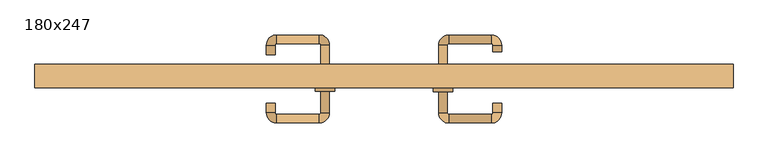
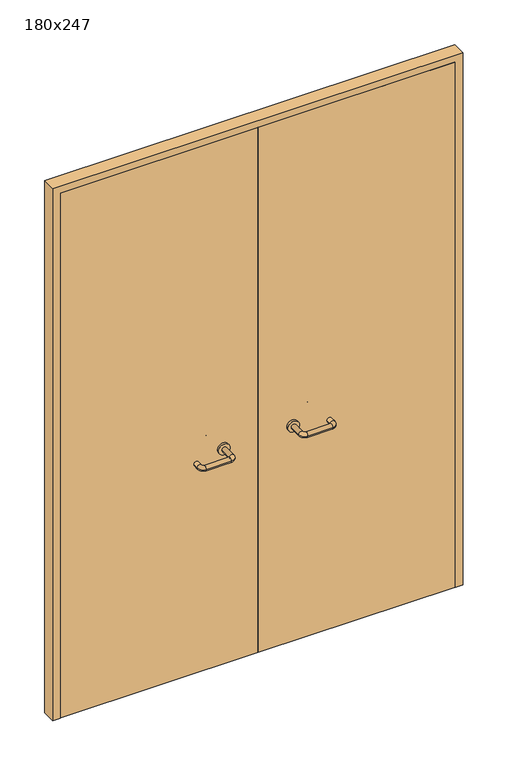
"""IFC4 building model written with IfcOpenShell, lengths in millimetres: door geometry, 180x247."""

from ifc_helpers import new_model, si_unit, point, frame, frame_2d, origin, place, context, project, spatial, polyline, circle_curve, ellipse_curve, trimmed, segment, composite_curve, outline, extrude, source, transform, mapped, element, save
from ifc_brep_helpers import plane_surface, cylinder_surface, revolved_surface, advanced_brep


def door_180x247_504b1baf(model_context):
    return source(origin(), model_context, "Body", "SolidModel", [
        extrude(outline(polyline([(2470.0, -900.0), (0.0, -900.0), (0.0, -868.0), (2438.0, -868.0), (2438.0, 868.0), (0.0, 868.0), (0.0, 900.0), (2470.0, 900.0), (2470.0, -900.0)])), frame((0.0, -190.0, 0.0), z_axis=(0.0, 1.0, 0.0), x_axis=(0.0, 0.0, 1.0)), (0.0, 0.0, 1.0), 60.0),
        advanced_brep(
        [(140.99898, -136.0, 1003.0), (162.99898, -136.0, 1003.0), (162.99898, -80.6474631, 1003.0), (140.99898, -80.6474631, 1003.0), (166.99898, -76.6474631, 1003.0), (166.99898, -54.6474631, 1003.0), (276.99898, -76.6474631, 1003.0), (276.99898, -54.6474631, 1003.0), (280.99898, -80.6474631, 1003.0), (302.99898, -80.6474631, 1003.0), (302.99898, -98.0, 1003.0), (280.99898, -98.0, 1003.0)],
        [
            (0, 1, circle_curve(frame((151.99898, -136.0, 1003.0), z_axis=(0.0, -1.0, 0.0), x_axis=(1.0, 0.0, 0.0)), 11.0)),
            (1, 0, circle_curve(frame((151.99898, -136.0, 1003.0), z_axis=(0.0, -1.0, 0.0), x_axis=(1.0, 0.0, 0.0)), 11.0)),
            (1, 2),
            (2, 3, circle_curve(frame((151.99898, -80.6474631, 1003.0), z_axis=(0.0, -1.0, 0.0), x_axis=(1.0, 0.0, 0.0)), 11.0)),
            (3, 0),
            (3, 2, circle_curve(frame((151.99898, -80.6474631, 1003.0), z_axis=(0.0, -1.0, 0.0), x_axis=(1.0, 0.0, 0.0)), 11.0)),
            (4, 5, circle_curve(frame((166.99898, -65.6474631, 1003.0), z_axis=(-1.0, 0.0, 0.0), x_axis=(0.0, -1.0, 0.0)), 11.0)),
            (5, 3, circle_curve(frame((166.99898, -80.6474631, 1003.0), z_axis=(0.0, 0.0, 1.0), x_axis=(-1.0, 0.0, 0.0)), 26.0)),
            (2, 4, circle_curve(frame((166.99898, -80.6474631, 1003.0), z_axis=(0.0, 0.0, -1.0), x_axis=(-1.0, 0.0, 0.0)), 4.0)),
            (5, 4, circle_curve(frame((166.99898, -65.6474631, 1003.0), z_axis=(-1.0, 0.0, 0.0), x_axis=(0.0, -1.0, 0.0)), 11.0)),
            (4, 6),
            (6, 7, circle_curve(frame((276.99898, -65.6474631, 1003.0), z_axis=(-1.0, 0.0, 0.0), x_axis=(0.0, -1.0, 0.0)), 11.0)),
            (7, 5),
            (7, 6, circle_curve(frame((276.99898, -65.6474631, 1003.0), z_axis=(-1.0, 0.0, 0.0), x_axis=(0.0, -1.0, 0.0)), 11.0)),
            (8, 9, circle_curve(frame((291.99898, -80.6474631, 1003.0), z_axis=(0.0, 1.0, 0.0), x_axis=(-1.0, 0.0, 0.0)), 11.0)),
            (9, 7, circle_curve(frame((276.99898, -80.6474631, 1003.0), z_axis=(0.0, 0.0, 1.0), x_axis=(0.0, 1.0, 0.0)), 26.0)),
            (6, 8, circle_curve(frame((276.99898, -80.6474631, 1003.0), z_axis=(0.0, 0.0, -1.0), x_axis=(0.0, 1.0, 0.0)), 4.0)),
            (9, 8, circle_curve(frame((291.99898, -80.6474631, 1003.0), z_axis=(0.0, 1.0, 0.0), x_axis=(-1.0, 0.0, 0.0)), 11.0)),
            (10, 11, circle_curve(frame((291.99898, -98.0, 1003.0), z_axis=(0.0, -1.0, 0.0), x_axis=(-1.0, 0.0, 0.0)), 11.0)),
            (11, 10, circle_curve(frame((291.99898, -98.0, 1003.0), z_axis=(0.0, -1.0, 0.0), x_axis=(-1.0, 0.0, 0.0)), 11.0)),
            (8, 11),
            (10, 9),
        ],
        [
            plane_surface(frame((140.99898, -136.0, 1003.0), z_axis=(0.0, -1.0, 0.0), x_axis=(0.0, 0.0, -1.0))),
            cylinder_surface(frame((151.99898, -136.0, 1003.0), z_axis=(0.0, -1.0, 0.0), x_axis=(1.0, 0.0, 0.0)), 11.0),
            revolved_surface(trimmed(ellipse_curve(frame((151.99898, -80.6474631, 1003.0), z_axis=(0.0, 1.0, 0.0), x_axis=(1.0, 0.0, 0.0)), 11.0, 11.0), [point((140.99898, -80.6474631, 1003.0))], [point((162.99898, -80.6474631, 1003.0))], True, "CARTESIAN"), (166.99898, -80.6474631, 1003.0), (0.0, 0.0, 1.0)),
            revolved_surface(trimmed(ellipse_curve(frame((151.99898, -80.6474631, 1003.0), z_axis=(0.0, 1.0, 0.0), x_axis=(1.0, 0.0, 0.0)), 11.0, 11.0), [point((162.99898, -80.6474631, 1003.0))], [point((140.99898, -80.6474631, 1003.0))], True, "CARTESIAN"), (166.99898, -80.6474631, 1003.0), (0.0, 0.0, 1.0)),
            cylinder_surface(frame((166.99898, -65.6474631, 1003.0), z_axis=(-1.0, 0.0, 0.0), x_axis=(0.0, -1.0, 0.0)), 11.0),
            revolved_surface(trimmed(ellipse_curve(frame((276.99898, -65.6474631, 1003.0), z_axis=(1.0, 0.0, 0.0), x_axis=(0.0, -1.0, 0.0)), 11.0, 11.0), [point((276.99898, -54.6474631, 1003.0))], [point((276.99898, -76.6474631, 1003.0))], True, "CARTESIAN"), (276.99898, -80.6474631, 1003.0), (0.0, 0.0, 1.0)),
            revolved_surface(trimmed(ellipse_curve(frame((276.99898, -65.6474631, 1003.0), z_axis=(1.0, 0.0, 0.0), x_axis=(0.0, -1.0, 0.0)), 11.0, 11.0), [point((276.99898, -76.6474631, 1003.0))], [point((276.99898, -54.6474631, 1003.0))], True, "CARTESIAN"), (276.99898, -80.6474631, 1003.0), (0.0, 0.0, 1.0)),
            plane_surface(frame((280.99898, -98.0, 1003.0), z_axis=(0.0, -1.0, 0.0), x_axis=(0.0, 0.0, 1.0))),
            cylinder_surface(frame((291.99898, -80.6474631, 1003.0), z_axis=(0.0, 1.0, 0.0), x_axis=(-1.0, 0.0, 0.0)), 11.0),
        ],
        [
            (0, [[1, 2]]),
            (1, [[3, 4, 5, -2]]),
            (1, [[-5, 6, -3, -1]]),
            (2, [[7, 8, -4, 9]]),
            (3, [[10, -9, -6, -8]]),
            (4, [[11, 12, 13, -7]]),
            (4, [[-13, 14, -11, -10]]),
            (5, [[15, 16, -12, 17]]),
            (6, [[18, -17, -14, -16]]),
            (7, [[19, 20]]),
            (8, [[21, -19, 22, -15]]),
            (8, [[-22, -20, -21, -18]]),
        ],
    ),
        extrude(outline(composite_curve([segment(trimmed(circle_curve(frame_2d((1003.0, 151.99898)), 25.0), [point((1003.0, 126.99898))], [point((1003.0, 176.99898))], False, "CARTESIAN"), True, "CONTINUOUS"), segment(trimmed(circle_curve(frame_2d((1003.0, 151.99898)), 25.0), [point((1003.0, 176.99898))], [point((1003.0, 126.99898))], False, "CARTESIAN"), True, "CONTINUOUS")], self_intersect=False)), frame((0.0, -146.0, 0.0), z_axis=(0.0, 1.0, 0.0), x_axis=(0.0, 0.0, 1.0)), (0.0, 0.0, 1.0), 10.0),
        advanced_brep(
        [(162.99898, -200.0, 1003.0), (140.99898, -200.0, 1003.0), (140.99898, -255.0, 1003.0), (162.99898, -255.0, 1003.0), (166.99898, -281.0, 1003.0), (166.99898, -259.0, 1003.0), (276.99898, -281.0, 1003.0), (276.99898, -259.0, 1003.0), (302.99898, -255.0, 1003.0), (280.99898, -255.0, 1003.0), (280.99898, -230.0, 1003.0), (302.99898, -230.0, 1003.0)],
        [
            (0, 1, circle_curve(frame((151.99898, -200.0, 1003.0), z_axis=(0.0, 1.0, 0.0), x_axis=(-1.0, 0.0, 0.0)), 11.0)),
            (1, 0, circle_curve(frame((151.99898, -200.0, 1003.0), z_axis=(0.0, 1.0, 0.0), x_axis=(-1.0, 0.0, 0.0)), 11.0)),
            (1, 2),
            (2, 3, circle_curve(frame((151.99898, -255.0, 1003.0), z_axis=(0.0, 1.0, 0.0), x_axis=(-1.0, 0.0, 0.0)), 11.0)),
            (3, 0),
            (3, 2, circle_curve(frame((151.99898, -255.0, 1003.0), z_axis=(0.0, 1.0, 0.0), x_axis=(-1.0, 0.0, 0.0)), 11.0)),
            (4, 5, circle_curve(frame((166.99898, -270.0, 1003.0), z_axis=(-1.0, 0.0, 0.0), x_axis=(0.0, -1.0, 0.0)), 11.0)),
            (5, 3, circle_curve(frame((166.99898, -255.0, 1003.0), z_axis=(0.0, 0.0, -1.0), x_axis=(-1.0, 0.0, 0.0)), 4.0)),
            (2, 4, circle_curve(frame((166.99898, -255.0, 1003.0), z_axis=(0.0, 0.0, 1.0), x_axis=(-1.0, 0.0, 0.0)), 26.0)),
            (5, 4, circle_curve(frame((166.99898, -270.0, 1003.0), z_axis=(-1.0, 0.0, 0.0), x_axis=(0.0, -1.0, 0.0)), 11.0)),
            (4, 6),
            (6, 7, circle_curve(frame((276.99898, -270.0, 1003.0), z_axis=(-1.0, 0.0, 0.0), x_axis=(0.0, -1.0, 0.0)), 11.0)),
            (7, 5),
            (7, 6, circle_curve(frame((276.99898, -270.0, 1003.0), z_axis=(-1.0, 0.0, 0.0), x_axis=(0.0, -1.0, 0.0)), 11.0)),
            (8, 9, circle_curve(frame((291.99898, -255.0, 1003.0), z_axis=(0.0, -1.0, 0.0), x_axis=(1.0, 0.0, 0.0)), 11.0)),
            (9, 7, circle_curve(frame((276.99898, -255.0, 1003.0), z_axis=(0.0, 0.0, -1.0), x_axis=(0.0, -1.0, 0.0)), 4.0)),
            (6, 8, circle_curve(frame((276.99898, -255.0, 1003.0), z_axis=(0.0, 0.0, 1.0), x_axis=(0.0, -1.0, 0.0)), 26.0)),
            (9, 8, circle_curve(frame((291.99898, -255.0, 1003.0), z_axis=(0.0, -1.0, 0.0), x_axis=(1.0, 0.0, 0.0)), 11.0)),
            (10, 11, circle_curve(frame((291.99898, -230.0, 1003.0), z_axis=(0.0, 1.0, 0.0), x_axis=(1.0, 0.0, 0.0)), 11.0)),
            (11, 10, circle_curve(frame((291.99898, -230.0, 1003.0), z_axis=(0.0, 1.0, 0.0), x_axis=(1.0, 0.0, 0.0)), 11.0)),
            (8, 11),
            (10, 9),
        ],
        [
            plane_surface(frame((140.99898, -200.0, 1003.0), z_axis=(0.0, 1.0, 0.0), x_axis=(0.0, 0.0, 1.0))),
            cylinder_surface(frame((151.99898, -200.0, 1003.0), z_axis=(0.0, 1.0, 0.0), x_axis=(-1.0, 0.0, 0.0)), 11.0),
            revolved_surface(trimmed(ellipse_curve(frame((151.99898, -255.0, 1003.0), z_axis=(0.0, -1.0, 0.0), x_axis=(-1.0, 0.0, 0.0)), 11.0, 11.0), [point((162.99898, -255.0, 1003.0))], [point((140.99898, -255.0, 1003.0))], True, "CARTESIAN"), (166.99898, -255.0, 1003.0), (0.0, 0.0, -1.0)),
            revolved_surface(trimmed(ellipse_curve(frame((151.99898, -255.0, 1003.0), z_axis=(0.0, -1.0, 0.0), x_axis=(-1.0, 0.0, 0.0)), 11.0, 11.0), [point((140.99898, -255.0, 1003.0))], [point((162.99898, -255.0, 1003.0))], True, "CARTESIAN"), (166.99898, -255.0, 1003.0), (0.0, 0.0, -1.0)),
            cylinder_surface(frame((166.99898, -270.0, 1003.0), z_axis=(-1.0, 0.0, 0.0), x_axis=(0.0, -1.0, 0.0)), 11.0),
            revolved_surface(trimmed(ellipse_curve(frame((276.99898, -270.0, 1003.0), z_axis=(1.0, 0.0, 0.0), x_axis=(0.0, -1.0, 0.0)), 11.0, 11.0), [point((276.99898, -259.0, 1003.0))], [point((276.99898, -281.0, 1003.0))], True, "CARTESIAN"), (276.99898, -255.0, 1003.0), (0.0, 0.0, -1.0)),
            revolved_surface(trimmed(ellipse_curve(frame((276.99898, -270.0, 1003.0), z_axis=(1.0, 0.0, 0.0), x_axis=(0.0, -1.0, 0.0)), 11.0, 11.0), [point((276.99898, -281.0, 1003.0))], [point((276.99898, -259.0, 1003.0))], True, "CARTESIAN"), (276.99898, -255.0, 1003.0), (0.0, 0.0, -1.0)),
            plane_surface(frame((280.99898, -230.0, 1003.0), z_axis=(0.0, 1.0, 0.0), x_axis=(0.0, 0.0, -1.0))),
            cylinder_surface(frame((291.99898, -255.0, 1003.0), z_axis=(0.0, -1.0, 0.0), x_axis=(1.0, 0.0, 0.0)), 11.0),
        ],
        [
            (0, [[1, 2]]),
            (1, [[3, 4, 5, -2]]),
            (1, [[-5, 6, -3, -1]]),
            (2, [[7, 8, -4, 9]]),
            (3, [[10, -9, -6, -8]]),
            (4, [[11, 12, 13, -7]]),
            (4, [[-13, 14, -11, -10]]),
            (5, [[15, 16, -12, 17]]),
            (6, [[18, -17, -14, -16]]),
            (7, [[19, 20]]),
            (8, [[21, -19, 22, -15]]),
            (8, [[-22, -20, -21, -18]]),
        ],
    ),
        extrude(outline(composite_curve([segment(trimmed(circle_curve(frame_2d((1003.0, 151.99898)), 25.0), [point((1003.0, 176.99898))], [point((1003.0, 126.99898))], False, "CARTESIAN"), True, "CONTINUOUS"), segment(trimmed(circle_curve(frame_2d((1003.0, 151.99898)), 25.0), [point((1003.0, 126.99898))], [point((1003.0, 176.99898))], False, "CARTESIAN"), True, "CONTINUOUS")], self_intersect=False)), frame((0.0, -200.0, 0.0), z_axis=(0.0, 1.0, 0.0), x_axis=(0.0, 0.0, 1.0)), (0.0, 0.0, 1.0), 10.0),
        advanced_brep(
        [(-162.99898, -135.6886121, 1003.0), (-140.99898, -135.6886121, 1003.0), (-140.99898, -80.2779553, 1003.0), (-162.99898, -80.2779553, 1003.0), (-166.99898, -54.2779553, 1003.0), (-166.99898, -76.2779553, 1003.0), (-276.99898, -54.2779553, 1003.0), (-276.99898, -76.2779553, 1003.0), (-302.99898, -80.2779553, 1003.0), (-280.99898, -80.2779553, 1003.0), (-280.99898, -105.2779553, 1003.0), (-302.99898, -105.2779553, 1003.0)],
        [
            (0, 1, circle_curve(frame((-151.99898, -135.6886121, 1003.0), z_axis=(0.0, -1.0, 0.0), x_axis=(1.0, 0.0, 0.0)), 11.0)),
            (1, 0, circle_curve(frame((-151.99898, -135.6886121, 1003.0), z_axis=(0.0, -1.0, 0.0), x_axis=(1.0, 0.0, 0.0)), 11.0)),
            (1, 2),
            (2, 3, circle_curve(frame((-151.99898, -80.2779553, 1003.0), z_axis=(0.0, -1.0, 0.0), x_axis=(1.0, 0.0, 0.0)), 11.0)),
            (3, 0),
            (3, 2, circle_curve(frame((-151.99898, -80.2779553, 1003.0), z_axis=(0.0, -1.0, 0.0), x_axis=(1.0, 0.0, 0.0)), 11.0)),
            (4, 5, circle_curve(frame((-166.99898, -65.2779553, 1003.0), z_axis=(1.0, 0.0, 0.0), x_axis=(0.0, 1.0, 0.0)), 11.0)),
            (5, 3, circle_curve(frame((-166.99898, -80.2779553, 1003.0), z_axis=(0.0, 0.0, -1.0), x_axis=(1.0, 0.0, 0.0)), 4.0)),
            (2, 4, circle_curve(frame((-166.99898, -80.2779553, 1003.0), z_axis=(0.0, 0.0, 1.0), x_axis=(1.0, 0.0, 0.0)), 26.0)),
            (5, 4, circle_curve(frame((-166.99898, -65.2779553, 1003.0), z_axis=(1.0, 0.0, 0.0), x_axis=(0.0, 1.0, 0.0)), 11.0)),
            (4, 6),
            (6, 7, circle_curve(frame((-276.99898, -65.2779553, 1003.0), z_axis=(1.0, 0.0, 0.0), x_axis=(0.0, 1.0, 0.0)), 11.0)),
            (7, 5),
            (7, 6, circle_curve(frame((-276.99898, -65.2779553, 1003.0), z_axis=(1.0, 0.0, 0.0), x_axis=(0.0, 1.0, 0.0)), 11.0)),
            (8, 9, circle_curve(frame((-291.99898, -80.2779553, 1003.0), z_axis=(0.0, 1.0, 0.0), x_axis=(-1.0, 0.0, 0.0)), 11.0)),
            (9, 7, circle_curve(frame((-276.99898, -80.2779553, 1003.0), z_axis=(0.0, 0.0, -1.0), x_axis=(0.0, 1.0, 0.0)), 4.0)),
            (6, 8, circle_curve(frame((-276.99898, -80.2779553, 1003.0), z_axis=(0.0, 0.0, 1.0), x_axis=(0.0, 1.0, 0.0)), 26.0)),
            (9, 8, circle_curve(frame((-291.99898, -80.2779553, 1003.0), z_axis=(0.0, 1.0, 0.0), x_axis=(-1.0, 0.0, 0.0)), 11.0)),
            (10, 11, circle_curve(frame((-291.99898, -105.2779553, 1003.0), z_axis=(0.0, -1.0, 0.0), x_axis=(-1.0, 0.0, 0.0)), 11.0)),
            (11, 10, circle_curve(frame((-291.99898, -105.2779553, 1003.0), z_axis=(0.0, -1.0, 0.0), x_axis=(-1.0, 0.0, 0.0)), 11.0)),
            (8, 11),
            (10, 9),
        ],
        [
            plane_surface(frame((-162.99898, -135.6886121, 1003.0), z_axis=(0.0, -1.0, 0.0), x_axis=(0.0, 0.0, -1.0))),
            cylinder_surface(frame((-151.99898, -135.6886121, 1003.0), z_axis=(0.0, -1.0, 0.0), x_axis=(1.0, 0.0, 0.0)), 11.0),
            revolved_surface(trimmed(ellipse_curve(frame((-151.99898, -80.2779553, 1003.0), z_axis=(0.0, 1.0, 0.0), x_axis=(1.0, 0.0, 0.0)), 11.0, 11.0), [point((-162.99898, -80.2779553, 1003.0))], [point((-140.99898, -80.2779553, 1003.0))], True, "CARTESIAN"), (-166.99898, -80.2779553, 1003.0), (0.0, 0.0, -1.0)),
            revolved_surface(trimmed(ellipse_curve(frame((-151.99898, -80.2779553, 1003.0), z_axis=(0.0, 1.0, 0.0), x_axis=(1.0, 0.0, 0.0)), 11.0, 11.0), [point((-140.99898, -80.2779553, 1003.0))], [point((-162.99898, -80.2779553, 1003.0))], True, "CARTESIAN"), (-166.99898, -80.2779553, 1003.0), (0.0, 0.0, -1.0)),
            cylinder_surface(frame((-166.99898, -65.2779553, 1003.0), z_axis=(1.0, 0.0, 0.0), x_axis=(0.0, 1.0, 0.0)), 11.0),
            revolved_surface(trimmed(ellipse_curve(frame((-276.99898, -65.2779553, 1003.0), z_axis=(-1.0, 0.0, 0.0), x_axis=(0.0, 1.0, 0.0)), 11.0, 11.0), [point((-276.99898, -76.2779553, 1003.0))], [point((-276.99898, -54.2779553, 1003.0))], True, "CARTESIAN"), (-276.99898, -80.2779553, 1003.0), (0.0, 0.0, -1.0)),
            revolved_surface(trimmed(ellipse_curve(frame((-276.99898, -65.2779553, 1003.0), z_axis=(-1.0, 0.0, 0.0), x_axis=(0.0, 1.0, 0.0)), 11.0, 11.0), [point((-276.99898, -54.2779553, 1003.0))], [point((-276.99898, -76.2779553, 1003.0))], True, "CARTESIAN"), (-276.99898, -80.2779553, 1003.0), (0.0, 0.0, -1.0)),
            plane_surface(frame((-302.99898, -105.2779553, 1003.0), z_axis=(0.0, -1.0, 0.0), x_axis=(0.0, 0.0, 1.0))),
            cylinder_surface(frame((-291.99898, -80.2779553, 1003.0), z_axis=(0.0, 1.0, 0.0), x_axis=(-1.0, 0.0, 0.0)), 11.0),
        ],
        [
            (0, [[1, 2]]),
            (1, [[3, 4, 5, -2]]),
            (1, [[-5, 6, -3, -1]]),
            (2, [[7, 8, -4, 9]]),
            (3, [[10, -9, -6, -8]]),
            (4, [[11, 12, 13, -7]]),
            (4, [[-13, 14, -11, -10]]),
            (5, [[15, 16, -12, 17]]),
            (6, [[18, -17, -14, -16]]),
            (7, [[19, 20]]),
            (8, [[21, -19, 22, -15]]),
            (8, [[-22, -20, -21, -18]]),
        ],
    ),
        extrude(outline(composite_curve([segment(trimmed(circle_curve(frame_2d((1003.0, -151.99898)), 25.0), [point((1003.0, -176.99898))], [point((1003.0, -126.99898))], False, "CARTESIAN"), True, "CONTINUOUS"), segment(trimmed(circle_curve(frame_2d((1003.0, -151.99898)), 25.0), [point((1003.0, -126.99898))], [point((1003.0, -176.99898))], False, "CARTESIAN"), True, "CONTINUOUS")], self_intersect=False)), frame((0.0, -146.0, 0.0), z_axis=(0.0, 1.0, 0.0), x_axis=(0.0, 0.0, 1.0)), (0.0, 0.0, 1.0), 10.3113879),
        advanced_brep(
        [(-140.99898, -199.5143417, 1003.0), (-162.99898, -199.5143417, 1003.0), (-162.99898, -254.6104656, 1003.0), (-140.99898, -254.6104656, 1003.0), (-166.99898, -258.6104656, 1003.0), (-166.99898, -280.6104656, 1003.0), (-276.99898, -258.6104656, 1003.0), (-276.99898, -280.6104656, 1003.0), (-280.99898, -254.6104656, 1003.0), (-302.99898, -254.6104656, 1003.0), (-302.99898, -229.6104656, 1003.0), (-280.99898, -229.6104656, 1003.0)],
        [
            (0, 1, circle_curve(frame((-151.99898, -199.5143417, 1003.0), z_axis=(0.0, 1.0, 0.0), x_axis=(-1.0, 0.0, 0.0)), 11.0)),
            (1, 0, circle_curve(frame((-151.99898, -199.5143417, 1003.0), z_axis=(0.0, 1.0, 0.0), x_axis=(-1.0, 0.0, 0.0)), 11.0)),
            (1, 2),
            (2, 3, circle_curve(frame((-151.99898, -254.6104656, 1003.0), z_axis=(0.0, 1.0, 0.0), x_axis=(-1.0, 0.0, 0.0)), 11.0)),
            (3, 0),
            (3, 2, circle_curve(frame((-151.99898, -254.6104656, 1003.0), z_axis=(0.0, 1.0, 0.0), x_axis=(-1.0, 0.0, 0.0)), 11.0)),
            (4, 5, circle_curve(frame((-166.99898, -269.6104656, 1003.0), z_axis=(1.0, 0.0, 0.0), x_axis=(0.0, 1.0, 0.0)), 11.0)),
            (5, 3, circle_curve(frame((-166.99898, -254.6104656, 1003.0), z_axis=(0.0, 0.0, 1.0), x_axis=(1.0, 0.0, 0.0)), 26.0)),
            (2, 4, circle_curve(frame((-166.99898, -254.6104656, 1003.0), z_axis=(0.0, 0.0, -1.0), x_axis=(1.0, 0.0, 0.0)), 4.0)),
            (5, 4, circle_curve(frame((-166.99898, -269.6104656, 1003.0), z_axis=(1.0, 0.0, 0.0), x_axis=(0.0, 1.0, 0.0)), 11.0)),
            (4, 6),
            (6, 7, circle_curve(frame((-276.99898, -269.6104656, 1003.0), z_axis=(1.0, 0.0, 0.0), x_axis=(0.0, 1.0, 0.0)), 11.0)),
            (7, 5),
            (7, 6, circle_curve(frame((-276.99898, -269.6104656, 1003.0), z_axis=(1.0, 0.0, 0.0), x_axis=(0.0, 1.0, 0.0)), 11.0)),
            (8, 9, circle_curve(frame((-291.99898, -254.6104656, 1003.0), z_axis=(0.0, -1.0, 0.0), x_axis=(1.0, 0.0, 0.0)), 11.0)),
            (9, 7, circle_curve(frame((-276.99898, -254.6104656, 1003.0), z_axis=(0.0, 0.0, 1.0), x_axis=(0.0, -1.0, 0.0)), 26.0)),
            (6, 8, circle_curve(frame((-276.99898, -254.6104656, 1003.0), z_axis=(0.0, 0.0, -1.0), x_axis=(0.0, -1.0, 0.0)), 4.0)),
            (9, 8, circle_curve(frame((-291.99898, -254.6104656, 1003.0), z_axis=(0.0, -1.0, 0.0), x_axis=(1.0, 0.0, 0.0)), 11.0)),
            (10, 11, circle_curve(frame((-291.99898, -229.6104656, 1003.0), z_axis=(0.0, 1.0, 0.0), x_axis=(1.0, 0.0, 0.0)), 11.0)),
            (11, 10, circle_curve(frame((-291.99898, -229.6104656, 1003.0), z_axis=(0.0, 1.0, 0.0), x_axis=(1.0, 0.0, 0.0)), 11.0)),
            (8, 11),
            (10, 9),
        ],
        [
            plane_surface(frame((-162.99898, -199.5143417, 1003.0), z_axis=(0.0, 1.0, 0.0), x_axis=(0.0, 0.0, 1.0))),
            cylinder_surface(frame((-151.99898, -199.5143417, 1003.0), z_axis=(0.0, 1.0, 0.0), x_axis=(-1.0, 0.0, 0.0)), 11.0),
            revolved_surface(trimmed(ellipse_curve(frame((-151.99898, -254.6104656, 1003.0), z_axis=(0.0, -1.0, 0.0), x_axis=(-1.0, 0.0, 0.0)), 11.0, 11.0), [point((-140.99898, -254.6104656, 1003.0))], [point((-162.99898, -254.6104656, 1003.0))], True, "CARTESIAN"), (-166.99898, -254.6104656, 1003.0), (0.0, 0.0, 1.0)),
            revolved_surface(trimmed(ellipse_curve(frame((-151.99898, -254.6104656, 1003.0), z_axis=(0.0, -1.0, 0.0), x_axis=(-1.0, 0.0, 0.0)), 11.0, 11.0), [point((-162.99898, -254.6104656, 1003.0))], [point((-140.99898, -254.6104656, 1003.0))], True, "CARTESIAN"), (-166.99898, -254.6104656, 1003.0), (0.0, 0.0, 1.0)),
            cylinder_surface(frame((-166.99898, -269.6104656, 1003.0), z_axis=(1.0, 0.0, 0.0), x_axis=(0.0, 1.0, 0.0)), 11.0),
            revolved_surface(trimmed(ellipse_curve(frame((-276.99898, -269.6104656, 1003.0), z_axis=(-1.0, 0.0, 0.0), x_axis=(0.0, 1.0, 0.0)), 11.0, 11.0), [point((-276.99898, -280.6104656, 1003.0))], [point((-276.99898, -258.6104656, 1003.0))], True, "CARTESIAN"), (-276.99898, -254.6104656, 1003.0), (0.0, 0.0, 1.0)),
            revolved_surface(trimmed(ellipse_curve(frame((-276.99898, -269.6104656, 1003.0), z_axis=(-1.0, 0.0, 0.0), x_axis=(0.0, 1.0, 0.0)), 11.0, 11.0), [point((-276.99898, -258.6104656, 1003.0))], [point((-276.99898, -280.6104656, 1003.0))], True, "CARTESIAN"), (-276.99898, -254.6104656, 1003.0), (0.0, 0.0, 1.0)),
            plane_surface(frame((-302.99898, -229.6104656, 1003.0), z_axis=(0.0, 1.0, 0.0), x_axis=(0.0, 0.0, -1.0))),
            cylinder_surface(frame((-291.99898, -254.6104656, 1003.0), z_axis=(0.0, -1.0, 0.0), x_axis=(1.0, 0.0, 0.0)), 11.0),
        ],
        [
            (0, [[1, 2]]),
            (1, [[3, 4, 5, -2]]),
            (1, [[-5, 6, -3, -1]]),
            (2, [[7, 8, -4, 9]]),
            (3, [[10, -9, -6, -8]]),
            (4, [[11, 12, 13, -7]]),
            (4, [[-13, 14, -11, -10]]),
            (5, [[15, 16, -12, 17]]),
            (6, [[18, -17, -14, -16]]),
            (7, [[19, 20]]),
            (8, [[21, -19, 22, -15]]),
            (8, [[-22, -20, -21, -18]]),
        ],
    ),
        extrude(outline(composite_curve([segment(trimmed(circle_curve(frame_2d((1003.0, -151.99898)), 25.0), [point((1003.0, -126.99898))], [point((1003.0, -176.99898))], False, "CARTESIAN"), True, "CONTINUOUS"), segment(trimmed(circle_curve(frame_2d((1003.0, -151.99898)), 25.0), [point((1003.0, -176.99898))], [point((1003.0, -126.99898))], False, "CARTESIAN"), True, "CONTINUOUS")], self_intersect=False)), frame((0.0, -199.5143417, 0.0), z_axis=(0.0, 1.0, 0.0), x_axis=(0.0, 0.0, 1.0)), (0.0, 0.0, 1.0), 9.5143417),
        extrude(outline(polyline([(1.0739506, -146.0), (1.0739506, -190.0), (-865.0, -190.0), (-865.0, -146.0), (1.0739506, -146.0)])), frame((0.0, 0.0, 1.753223), z_axis=(0.0, 0.0, 1.0), x_axis=(1.0, 0.0, 0.0)), (0.0, 0.0, 1.0), 2436.246777),
        extrude(outline(polyline([(865.0, -146.0), (865.0, -190.0), (1.0739506, -190.0), (1.0739506, -146.0), (865.0, -146.0)])), frame((0.0, 0.0, 1.753223), z_axis=(0.0, 0.0, 1.0), x_axis=(1.0, 0.0, 0.0)), (0.0, 0.0, 1.0), 2436.246777),
    ])


if __name__ == "__main__":
    model = new_model("IFC4")
    model_context = context("Model", 3, world=origin())
    ifc_project = project(units=[si_unit("LENGTHUNIT", "METRE", prefix="MILLI")], contexts=[model_context])
    site = spatial("IfcSite", under=ifc_project)
    building = spatial("IfcBuilding", under=site)
    placement = place(None, origin())
    door_180x247_shape = door_180x247_504b1baf(model_context)
    element("IfcDoor", 1, ObjectType="180x247", at=placement, inside=building, context=model_context, shape_type="MappedRepresentation", body=[
        mapped(door_180x247_shape, transform((0.0, 0.0, 0.0), x_axis=(1.0, 0.0, 0.0), y_axis=(0.0, 1.0, 0.0), z_axis=(0.0, 0.0, 1.0))),
    ])
    save(model, "model.ifc")
